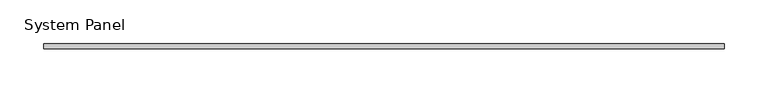
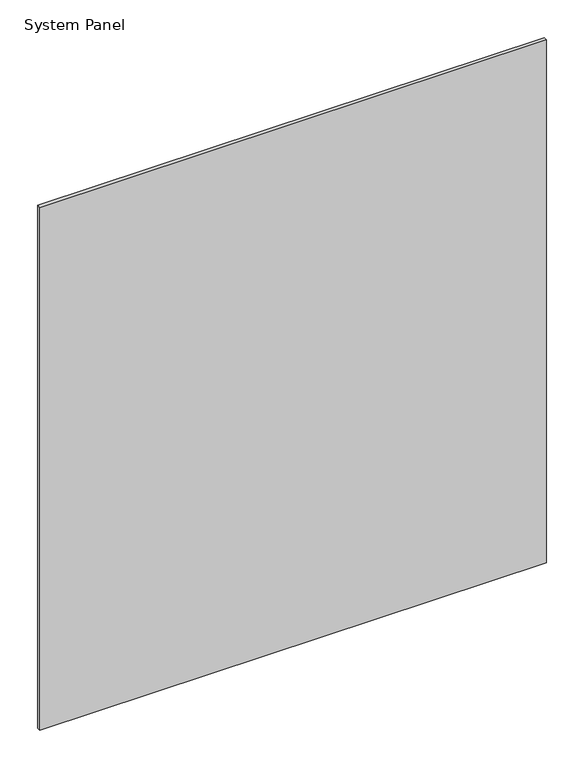
"""IFC4 building model written with IfcOpenShell, lengths in millimetres: plate geometry, System Panel."""

import ifcopenshell
import ifcopenshell.guid

model = None  # the IFC model being written
_history = None  # IfcOwnerHistory: only IFC2X3 demands one
_inside = {}  # id of a spatial element -> (the spatial element, [elements in it])
_under = {}  # id of a project, library or spatial element -> (it, [spatial elements below it])
_declared = {}  # id of a project -> (the project, [libraries it declares])
_typed = {}  # id of a type object -> (the type object, [elements of that type])
_made_of = {}  # id of a material, layer set ... -> (it, [elements and type objects made of it])


def new_model(schema):
    """Start an empty IFC model of exactly this schema.

    Asked for "IFC4X3", IfcOpenShell would pick the latest addendum, in which some entities
    have other attributes; the version numbers below select the first issue.
    IFC2X3 requires an IfcOwnerHistory on every rooted entity: one is made here for all.
    """
    global model, _history
    if schema == "IFC4X3":
        model = ifcopenshell.file(schema_version=(4, 3, 0, 0))
    else:
        model = ifcopenshell.file(schema=schema)
    _inside.clear()
    _under.clear()
    _declared.clear()
    _typed.clear()
    _made_of.clear()
    _history = None
    if model.schema == "IFC2X3":
        org = make("IfcOrganization", Name="unknown")
        user = make(
            "IfcPersonAndOrganization",
            ThePerson=make("IfcPerson", FamilyName="unknown"),
            TheOrganization=org,
        )
        app = make(
            "IfcApplication",
            ApplicationDeveloper=org,
            Version="unknown",
            ApplicationFullName="unknown",
            ApplicationIdentifier="unknown",
        )
        _history = make(
            "IfcOwnerHistory",
            OwningUser=user,
            OwningApplication=app,
            ChangeAction="ADDED",
            CreationDate=0,
        )
    return model


def make(cls, **values):
    """One entity of the class cls with the attributes given. An attribute that is None is left unset."""
    return model.create_entity(
        cls, **{name: value for name, value in values.items() if value is not None}
    )


def rooted(cls, **values):
    """An entity with a GlobalId (a new one), such as an element, a storey or a relation."""
    return make(cls, GlobalId=ifcopenshell.guid.new(), OwnerHistory=_history, **values)


def si_unit(unit_type, name, prefix=None):
    """IfcSIUnit, for example si_unit("LENGTHUNIT", "METRE", prefix="MILLI")."""
    return make("IfcSIUnit", UnitType=unit_type, Prefix=prefix, Name=name)


def assignment(units):
    """IfcUnitAssignment: the units of a project."""
    return None if units is None else make("IfcUnitAssignment", Units=units)


def point(xyz):
    """IfcCartesianPoint."""
    return None if xyz is None else make("IfcCartesianPoint", Coordinates=xyz)


def direction(xyz):
    """IfcDirection."""
    return None if xyz is None else make("IfcDirection", DirectionRatios=xyz)


def frame(location, z_axis=None, x_axis=None):
    """IfcAxis2Placement3D, a coordinate frame: its origin and axes. An axis left out is left unset."""
    return make(
        "IfcAxis2Placement3D",
        Location=point(location),
        Axis=direction(z_axis),
        RefDirection=direction(x_axis),
    )


def origin():
    """The frame at (0, 0, 0) with its axes left unset."""
    return frame((0.0, 0.0, 0.0))


def origin_with_axes():
    """The frame at (0, 0, 0) with the z axis (0, 0, 1) and the x axis (1, 0, 0) written out."""
    return frame((0.0, 0.0, 0.0), z_axis=(0.0, 0.0, 1.0), x_axis=(1.0, 0.0, 0.0))


def place(relative_to, where):
    """IfcLocalPlacement: puts the frame where relative to a parent placement (None: the world)."""
    return make(
        "IfcLocalPlacement", PlacementRelTo=relative_to, RelativePlacement=where
    )


def context(
    kind, dimensions, precision=None, world=None, true_north=None, identifier=None
):
    """IfcGeometricRepresentationContext, for example the 3D "Model" context."""
    return make(
        "IfcGeometricRepresentationContext",
        ContextIdentifier=identifier,
        ContextType=kind,
        CoordinateSpaceDimension=dimensions,
        Precision=precision,
        WorldCoordinateSystem=world,
        TrueNorth=true_north,
    )


def project(units=None, contexts=None):
    """IfcProject with its units and contexts."""
    return rooted(
        "IfcProject",
        Name="project",
        RepresentationContexts=contexts,
        UnitsInContext=assignment(units),
    )


def spatial(cls, under=None, at=None, **own):
    """A site, building, storey or space (cls), placed at a placement, below another one or the project."""
    s = rooted(cls, ObjectPlacement=at, **own)
    if under is not None:
        _under.setdefault(under.id(), (under, []))[1].append(s)
    return s


def polyline(points):
    """IfcPolyline through the points."""
    return make("IfcPolyline", Points=[point(p) for p in points])


def outline(outer, holes=None, kind="AREA"):
    """IfcArbitraryClosedProfileDef: a profile drawn as a closed curve; with holes, ...WithVoids."""
    if holes is None:
        return make("IfcArbitraryClosedProfileDef", ProfileType=kind, OuterCurve=outer)
    return make(
        "IfcArbitraryProfileDefWithVoids",
        ProfileType=kind,
        OuterCurve=outer,
        InnerCurves=holes,
    )


def extrude(swept, where, along, depth):
    """IfcExtrudedAreaSolid: the profile swept, set in the frame where, extruded along a direction by depth."""
    return make(
        "IfcExtrudedAreaSolid",
        SweptArea=swept,
        Position=where,
        ExtrudedDirection=direction(along),
        Depth=depth,
    )


def shape(context_of_items, identifier, shape_type, items):
    """IfcShapeRepresentation: the items that make up one representation, for example the "Body"."""
    return make(
        "IfcShapeRepresentation",
        ContextOfItems=context_of_items,
        RepresentationIdentifier=identifier,
        RepresentationType=shape_type,
        Items=items,
    )


def source(mapping_origin, context_of_items, identifier, shape_type, items):
    """IfcRepresentationMap: a shape defined once, which mapped items show again and again."""
    return make(
        "IfcRepresentationMap",
        MappingOrigin=mapping_origin,
        MappedRepresentation=shape(context_of_items, identifier, shape_type, items),
    )


def transform(
    local_origin,
    x_axis=None,
    y_axis=None,
    z_axis=None,
    scale=None,
    scale2=None,
    scale3=None,
    uniform=True,
):
    """IfcCartesianTransformationOperator3D, or its non-uniform kind. x_axis, y_axis, z_axis: its Axis1, 2, 3."""
    if uniform:
        return make(
            "IfcCartesianTransformationOperator3D",
            Axis1=direction(x_axis),
            Axis2=direction(y_axis),
            LocalOrigin=point(local_origin),
            Scale=scale,
            Axis3=direction(z_axis),
        )
    return make(
        "IfcCartesianTransformationOperator3DnonUniform",
        Axis1=direction(x_axis),
        Axis2=direction(y_axis),
        LocalOrigin=point(local_origin),
        Scale=scale,
        Axis3=direction(z_axis),
        Scale2=scale2,
        Scale3=scale3,
    )


def mapped(mapping_source, mapping_target):
    """IfcMappedItem: shows the shape of a source again, moved by a transform."""
    return make(
        "IfcMappedItem", MappingSource=mapping_source, MappingTarget=mapping_target
    )


def made_of(thing, what):
    """Note that an element or type object is made of a material, layer set ...; save() writes the relation."""
    if what is not None:
        _made_of.setdefault(what.id(), (what, []))[1].append(thing)
    return thing


def element(
    cls,
    number,
    at=None,
    inside=None,
    cuts=None,
    type_object=None,
    material=None,
    context=None,
    identifier="Body",
    shape_type=None,
    held_by="IfcProductDefinitionShape",
    body=None,
    shapes=None,
    **own,
):
    """One element of the class cls, such as IfcWall. Its Tag is "e" and its number.

    at: its placement. inside: the storey or other place that contains it. cuts: it is an
    opening in that element (IfcRelVoidsElement). A single representation is given by context,
    identifier, shape_type and body (its items); several are given by shapes. held_by: the class
    of the entity that holds the representations. save() writes the other relations.
    """
    e = rooted(cls, Tag="e%d" % number, ObjectPlacement=at, **own)
    if body is not None:
        shapes = [shape(context, identifier, shape_type, body)]
    if shapes is not None:
        e.Representation = make(held_by, Representations=shapes)
    if inside is not None:
        _inside.setdefault(inside.id(), (inside, []))[1].append(e)
    if cuts is not None:
        rooted(
            "IfcRelVoidsElement", RelatingBuildingElement=cuts, RelatedOpeningElement=e
        )
    if type_object is not None:
        _typed.setdefault(type_object.id(), (type_object, []))[1].append(e)
    return made_of(e, material)


def aggregate(whole, parts):
    """IfcRelAggregates: a whole, such as a stair, and the parts it consists of."""
    return rooted("IfcRelAggregates", RelatingObject=whole, RelatedObjects=parts)


def save(model, path):
    """Write the relations noted so far, then the file.

    IfcRelAggregates (storeys below a building ...), IfcRelContainedInSpatialStructure (elements
    in a storey), IfcRelDefinesByType, IfcRelAssociatesMaterial and IfcRelDeclares: one each for
    every whole, place, type object, material and project.
    """
    for whole, parts in _under.values():
        aggregate(whole, parts)
    for where, things in _inside.values():
        rooted(
            "IfcRelContainedInSpatialStructure",
            RelatedElements=things,
            RelatingStructure=where,
        )
    for kind, things in _typed.values():
        rooted("IfcRelDefinesByType", RelatedObjects=things, RelatingType=kind)
    for what, things in _made_of.values():
        rooted("IfcRelAssociatesMaterial", RelatedObjects=things, RelatingMaterial=what)
    for by, libraries in _declared.values():
        rooted("IfcRelDeclares", RelatingContext=by, RelatedDefinitions=libraries)
    model.write(path)


def system_panel_0891e79b(model_context):
    return source(origin(), model_context, "Body", "SweptSolid", [
        extrude(outline(polyline([(390.0, -3.0), (-390.0, -3.0), (-390.0, 3.0), (390.0, 3.0), (390.0, -3.0)])), origin_with_axes(), (0.0, 0.0, 1.0), 850.0),
    ])


if __name__ == "__main__":
    model = new_model("IFC4")
    model_context = context("Model", 3, world=origin())
    ifc_project = project(units=[si_unit("LENGTHUNIT", "METRE", prefix="MILLI")], contexts=[model_context])
    site = spatial("IfcSite", under=ifc_project)
    building = spatial("IfcBuilding", under=site)
    placement = place(None, origin())
    system_panel_shape = system_panel_0891e79b(model_context)
    element("IfcPlate", 1, ObjectType="System Panel", at=placement, inside=building, context=model_context, shape_type="MappedRepresentation", body=[
        mapped(system_panel_shape, transform((0.0, 0.0, 0.0), x_axis=(1.0, 0.0, 0.0), y_axis=(0.0, 1.0, 0.0), z_axis=(0.0, 0.0, 1.0))),
    ])
    save(model, "model.ifc")
